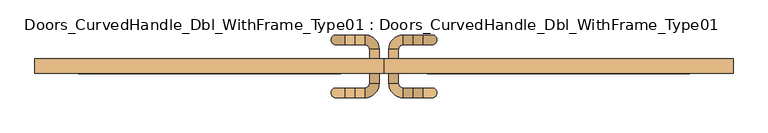
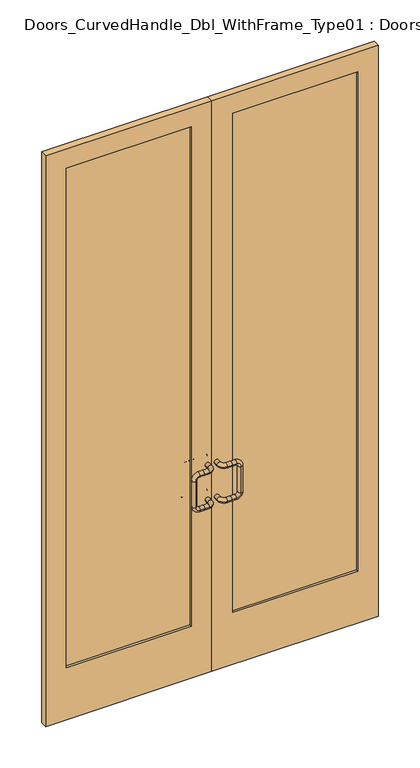
"""IFC4 building model written with IfcOpenShell, lengths in millimetres: door geometry, Doors_CurvedHandle_Dbl_WithFrame_Type01 : Doors_CurvedHandle_Dbl_WithFrame_Type01."""

from ifc_helpers import new_model, si_unit, point, frame, origin, place, context, project, spatial, polyline, circle_curve, ellipse_curve, trimmed, outline, extrude, source, transform, mapped, element, save
from ifc_brep_helpers import plane_surface, cylinder_surface, revolved_surface, advanced_brep


def doors_curvedhandle_dbl_withframe_type01_doors_curvedhandle_a765581c(model_context):
    return source(origin(), model_context, "Body", "SolidModel", [
        advanced_brep(
        [(-38.1, 19.05, 1219.2), (-12.7, 19.05, 1219.2), (-38.1, -6.35, 1219.2), (-12.7, -6.35, 1219.2), (-50.8, -44.45, 1219.2), (-50.8, -19.05, 1219.2), (-76.2, -19.05, 1219.2), (-76.2, -44.45, 1219.2), (-101.6, -19.05, 1219.2), (-101.6, -44.45, 1219.2), (-127.0, -19.05, 1193.8), (-127.0, -44.45, 1193.8), (-127.0, -19.05, 1041.4), (-127.0, -44.45, 1041.4), (-101.6, -19.05, 1016.0), (-101.6, -44.45, 1016.0), (-76.2, -19.05, 1016.0), (-76.2, -44.45, 1016.0), (-38.1, 19.05, 1016.0), (-12.7, 19.05, 1016.0), (-38.1, -6.35, 1016.0), (-12.7, -6.35, 1016.0), (-50.8, -44.45, 1016.0), (-50.8, -19.05, 1016.0)],
        [
            (0, 1, circle_curve(frame((-25.4, 19.05, 1219.2), z_axis=(0.0, 1.0, 0.0), x_axis=(1.0, 0.0, 0.0)), 12.7)),
            (1, 0, circle_curve(frame((-25.4, 19.05, 1219.2), z_axis=(0.0, 1.0, 0.0), x_axis=(1.0, 0.0, 0.0)), 12.7)),
            (0, 2),
            (2, 3, circle_curve(frame((-25.4, -6.35, 1219.2), z_axis=(0.0, 1.0, 0.0), x_axis=(1.0, 0.0, 0.0)), 12.7)),
            (3, 1),
            (3, 2, circle_curve(frame((-25.4, -6.35, 1219.2), z_axis=(0.0, 1.0, 0.0), x_axis=(1.0, 0.0, 0.0)), 12.7)),
            (4, 5, circle_curve(frame((-50.8, -31.75, 1219.2), z_axis=(-1.0, 0.0, 0.0), x_axis=(0.0, -1.0, 0.0)), 12.7)),
            (5, 6),
            (6, 7, circle_curve(frame((-76.2, -31.75, 1219.2), z_axis=(1.0, 0.0, 0.0), x_axis=(0.0, -1.0, 0.0)), 12.7)),
            (7, 4),
            (5, 4, circle_curve(frame((-50.8, -31.75, 1219.2), z_axis=(-1.0, 0.0, 0.0), x_axis=(0.0, -1.0, 0.0)), 12.7)),
            (7, 6, circle_curve(frame((-76.2, -31.75, 1219.2), z_axis=(1.0, 0.0, 0.0), x_axis=(0.0, -1.0, 0.0)), 12.7)),
            (2, 5, circle_curve(frame((-50.8, -6.35, 1219.2), z_axis=(0.0, 0.0, -1.0), x_axis=(1.0, 0.0, 0.0)), 12.7)),
            (4, 3, circle_curve(frame((-50.8, -6.35, 1219.2), z_axis=(0.0, 0.0, 1.0), x_axis=(1.0, 0.0, 0.0)), 38.1)),
            (6, 8),
            (8, 9, circle_curve(frame((-101.6, -31.75, 1219.2), z_axis=(1.0, 0.0, 0.0), x_axis=(0.0, -1.0, 0.0)), 12.7)),
            (9, 7),
            (9, 8, circle_curve(frame((-101.6, -31.75, 1219.2), z_axis=(1.0, 0.0, 0.0), x_axis=(0.0, -1.0, 0.0)), 12.7)),
            (8, 10, circle_curve(frame((-101.6, -19.05, 1193.8), z_axis=(0.0, -1.0, 0.0), x_axis=(0.0, 0.0, 1.0)), 25.4)),
            (10, 11, circle_curve(frame((-127.0, -31.75, 1193.8), z_axis=(0.0, 0.0, 1.0), x_axis=(0.0, -1.0, 0.0)), 12.7)),
            (11, 9, circle_curve(frame((-101.6, -44.45, 1193.8), z_axis=(0.0, 1.0, 0.0), x_axis=(0.0, 0.0, 1.0)), 25.4)),
            (11, 10, circle_curve(frame((-127.0, -31.75, 1193.8), z_axis=(0.0, 0.0, 1.0), x_axis=(0.0, -1.0, 0.0)), 12.7)),
            (10, 12),
            (12, 13, circle_curve(frame((-127.0, -31.75, 1041.4), z_axis=(0.0, 0.0, 1.0), x_axis=(0.0, -1.0, 0.0)), 12.7)),
            (13, 11),
            (13, 12, circle_curve(frame((-127.0, -31.75, 1041.4), z_axis=(0.0, 0.0, 1.0), x_axis=(0.0, -1.0, 0.0)), 12.7)),
            (12, 14, circle_curve(frame((-101.6, -19.05, 1041.4), z_axis=(0.0, -1.0, 0.0), x_axis=(-1.0, 0.0, 0.0)), 25.4)),
            (14, 15, circle_curve(frame((-101.6, -31.75, 1016.0), z_axis=(-1.0, 0.0, 0.0), x_axis=(0.0, -1.0, 0.0)), 12.7)),
            (15, 13, circle_curve(frame((-101.6, -44.45, 1041.4), z_axis=(0.0, 1.0, 0.0), x_axis=(-1.0, 0.0, 0.0)), 25.4)),
            (15, 14, circle_curve(frame((-101.6, -31.75, 1016.0), z_axis=(-1.0, 0.0, 0.0), x_axis=(0.0, -1.0, 0.0)), 12.7)),
            (14, 16),
            (16, 17, circle_curve(frame((-76.2, -31.75, 1016.0), z_axis=(-1.0, 0.0, 0.0), x_axis=(0.0, -1.0, 0.0)), 12.7)),
            (17, 15),
            (17, 16, circle_curve(frame((-76.2, -31.75, 1016.0), z_axis=(-1.0, 0.0, 0.0), x_axis=(0.0, -1.0, 0.0)), 12.7)),
            (18, 19, circle_curve(frame((-25.4, 19.05, 1016.0), z_axis=(0.0, 1.0, 0.0), x_axis=(1.0, 0.0, 0.0)), 12.7)),
            (19, 18, circle_curve(frame((-25.4, 19.05, 1016.0), z_axis=(0.0, 1.0, 0.0), x_axis=(1.0, 0.0, 0.0)), 12.7)),
            (18, 20),
            (20, 21, circle_curve(frame((-25.4, -6.35, 1016.0), z_axis=(0.0, 1.0, 0.0), x_axis=(1.0, 0.0, 0.0)), 12.7)),
            (21, 19),
            (21, 20, circle_curve(frame((-25.4, -6.35, 1016.0), z_axis=(0.0, 1.0, 0.0), x_axis=(1.0, 0.0, 0.0)), 12.7)),
            (22, 23, circle_curve(frame((-50.8, -31.75, 1016.0), z_axis=(-1.0, 0.0, 0.0), x_axis=(0.0, -1.0, 0.0)), 12.7)),
            (23, 16),
            (17, 22),
            (23, 22, circle_curve(frame((-50.8, -31.75, 1016.0), z_axis=(-1.0, 0.0, 0.0), x_axis=(0.0, -1.0, 0.0)), 12.7)),
            (20, 23, circle_curve(frame((-50.8, -6.35, 1016.0), z_axis=(0.0, 0.0, -1.0), x_axis=(1.0, 0.0, 0.0)), 12.7)),
            (22, 21, circle_curve(frame((-50.8, -6.35, 1016.0), z_axis=(0.0, 0.0, 1.0), x_axis=(1.0, 0.0, 0.0)), 38.1)),
        ],
        [
            plane_surface(frame((-25.4, 19.05, 1276.2853236), z_axis=(0.0, 1.0, 0.0), x_axis=(0.0, 0.0, 1.0))),
            cylinder_surface(frame((-25.4, 19.05, 1219.2), z_axis=(0.0, 1.0, 0.0), x_axis=(1.0, 0.0, 0.0)), 12.7),
            cylinder_surface(frame((-50.8, -31.75, 1219.2), z_axis=(1.0, 0.0, 0.0), x_axis=(0.0, -1.0, 0.0)), 12.7),
            revolved_surface(trimmed(ellipse_curve(frame((-25.4, -6.35, 1219.2), z_axis=(0.0, 1.0, 0.0), x_axis=(1.0, 0.0, 0.0)), 12.7, 12.7), [point((-38.1, -6.35, 1219.2))], [point((-12.7, -6.35, 1219.2))], True, "CARTESIAN"), (-50.8, -6.35, 1276.2853236), (0.0, 0.0, -1.0)),
            revolved_surface(trimmed(ellipse_curve(frame((-25.4, -6.35, 1219.2), z_axis=(0.0, 1.0, 0.0), x_axis=(1.0, 0.0, 0.0)), 12.7, 12.7), [point((-12.7, -6.35, 1219.2))], [point((-38.1, -6.35, 1219.2))], True, "CARTESIAN"), (-50.8, -6.35, 1276.2853236), (0.0, 0.0, -1.0)),
            cylinder_surface(frame((-76.2, -31.75, 1219.2), z_axis=(1.0, 0.0, 0.0), x_axis=(0.0, -1.0, 0.0)), 12.7),
            revolved_surface(trimmed(ellipse_curve(frame((-101.6, -31.75, 1219.2), z_axis=(1.0, 0.0, 0.0), x_axis=(0.0, -1.0, 0.0)), 12.7, 12.7), [point((-101.6, -19.05, 1219.2))], [point((-101.6, -44.45, 1219.2))], True, "CARTESIAN"), (-101.6, -31.75, 1193.8), (0.0, -1.0, 0.0)),
            revolved_surface(trimmed(ellipse_curve(frame((-101.6, -31.75, 1219.2), z_axis=(1.0, 0.0, 0.0), x_axis=(0.0, -1.0, 0.0)), 12.7, 12.7), [point((-101.6, -44.45, 1219.2))], [point((-101.6, -19.05, 1219.2))], True, "CARTESIAN"), (-101.6, -31.75, 1193.8), (0.0, -1.0, 0.0)),
            cylinder_surface(frame((-127.0, -31.75, 1193.8), z_axis=(0.0, 0.0, 1.0), x_axis=(0.0, -1.0, 0.0)), 12.7),
            revolved_surface(trimmed(ellipse_curve(frame((-127.0, -31.75, 1041.4), z_axis=(0.0, 0.0, 1.0), x_axis=(0.0, -1.0, 0.0)), 12.7, 12.7), [point((-127.0, -19.05, 1041.4))], [point((-127.0, -44.45, 1041.4))], True, "CARTESIAN"), (-101.6, -31.75, 1041.4), (0.0, -1.0, 0.0)),
            revolved_surface(trimmed(ellipse_curve(frame((-127.0, -31.75, 1041.4), z_axis=(0.0, 0.0, 1.0), x_axis=(0.0, -1.0, 0.0)), 12.7, 12.7), [point((-127.0, -44.45, 1041.4))], [point((-127.0, -19.05, 1041.4))], True, "CARTESIAN"), (-101.6, -31.75, 1041.4), (0.0, -1.0, 0.0)),
            cylinder_surface(frame((-101.6, -31.75, 1016.0), z_axis=(-1.0, 0.0, 0.0), x_axis=(0.0, -1.0, 0.0)), 12.7),
            plane_surface(frame((-25.4, 19.05, 1016.0), z_axis=(0.0, 1.0, 0.0), x_axis=(0.0, 0.0, 1.0))),
            cylinder_surface(frame((-25.4, 19.05, 1016.0), z_axis=(0.0, 1.0, 0.0), x_axis=(1.0, 0.0, 0.0)), 12.7),
            cylinder_surface(frame((-50.8, -31.75, 1016.0), z_axis=(1.0, 0.0, 0.0), x_axis=(0.0, -1.0, 0.0)), 12.7),
            revolved_surface(trimmed(ellipse_curve(frame((-25.4, -6.35, 1016.0), z_axis=(0.0, 1.0, 0.0), x_axis=(1.0, 0.0, 0.0)), 12.7, 12.7), [point((-38.1, -6.35, 1016.0))], [point((-12.7, -6.35, 1016.0))], True, "CARTESIAN"), (-50.8, -6.35, 1016.0), (0.0, 0.0, -1.0)),
            revolved_surface(trimmed(ellipse_curve(frame((-25.4, -6.35, 1016.0), z_axis=(0.0, 1.0, 0.0), x_axis=(1.0, 0.0, 0.0)), 12.7, 12.7), [point((-12.7, -6.35, 1016.0))], [point((-38.1, -6.35, 1016.0))], True, "CARTESIAN"), (-50.8, -6.35, 1016.0), (0.0, 0.0, -1.0)),
        ],
        [
            (0, [[1, 2]]),
            (1, [[-1, 3, 4, 5]]),
            (1, [[-2, -5, 6, -3]]),
            (2, [[7, 8, 9, 10]]),
            (2, [[-8, 11, -10, 12]]),
            (3, [[-4, 13, -7, 14]]),
            (4, [[-6, -14, -11, -13]]),
            (5, [[15, 16, 17, -9]]),
            (5, [[-15, -12, -17, 18]]),
            (6, [[-16, 19, 20, 21]]),
            (7, [[-18, -21, 22, -19]]),
            (8, [[-20, 23, 24, 25]]),
            (8, [[-22, -25, 26, -23]]),
            (9, [[-24, 27, 28, 29]]),
            (10, [[-26, -29, 30, -27]]),
            (11, [[-28, 31, 32, 33]]),
            (11, [[-30, -33, 34, -31]]),
            (12, [[35, 36]]),
            (13, [[-35, 37, 38, 39]]),
            (13, [[-36, -39, 40, -37]]),
            (14, [[41, 42, -34, 43]]),
            (14, [[-42, 44, -43, -32]]),
            (15, [[-38, 45, -41, 46]]),
            (16, [[-40, -46, -44, -45]]),
        ],
    ),
        advanced_brep(
        [(38.1, 19.05, 1219.2), (12.7, 19.05, 1219.2), (12.7, -6.35, 1219.2), (38.1, -6.35, 1219.2), (50.8, -44.45, 1219.2), (76.2, -44.45, 1219.2), (76.2, -19.05, 1219.2), (50.8, -19.05, 1219.2), (101.6, -44.45, 1219.2), (101.6, -19.05, 1219.2), (127.0, -44.45, 1193.8), (127.0, -19.05, 1193.8), (127.0, -44.45, 1041.4), (127.0, -19.05, 1041.4), (101.6, -44.45, 1016.0), (101.6, -19.05, 1016.0), (76.2, -44.45, 1016.0), (76.2, -19.05, 1016.0), (38.1, 19.05, 1016.0), (12.7, 19.05, 1016.0), (12.7, -6.35, 1016.0), (38.1, -6.35, 1016.0), (50.8, -44.45, 1016.0), (50.8, -19.05, 1016.0)],
        [
            (0, 1, circle_curve(frame((25.4, 19.05, 1219.2), z_axis=(0.0, 1.0, 0.0), x_axis=(-1.0, 0.0, 0.0)), 12.7)),
            (1, 0, circle_curve(frame((25.4, 19.05, 1219.2), z_axis=(0.0, 1.0, 0.0), x_axis=(-1.0, 0.0, 0.0)), 12.7)),
            (1, 2),
            (2, 3, circle_curve(frame((25.4, -6.35, 1219.2), z_axis=(0.0, 1.0, 0.0), x_axis=(-1.0, 0.0, 0.0)), 12.7)),
            (3, 0),
            (3, 2, circle_curve(frame((25.4, -6.35, 1219.2), z_axis=(0.0, 1.0, 0.0), x_axis=(-1.0, 0.0, 0.0)), 12.7)),
            (4, 5),
            (5, 6, circle_curve(frame((76.2, -31.75, 1219.2), z_axis=(-1.0, 0.0, 0.0), x_axis=(0.0, -1.0, 0.0)), 12.7)),
            (6, 7),
            (7, 4, circle_curve(frame((50.8, -31.75, 1219.2), z_axis=(1.0, 0.0, 0.0), x_axis=(0.0, -1.0, 0.0)), 12.7)),
            (6, 5, circle_curve(frame((76.2, -31.75, 1219.2), z_axis=(-1.0, 0.0, 0.0), x_axis=(0.0, -1.0, 0.0)), 12.7)),
            (4, 7, circle_curve(frame((50.8, -31.75, 1219.2), z_axis=(1.0, 0.0, 0.0), x_axis=(0.0, -1.0, 0.0)), 12.7)),
            (2, 4, circle_curve(frame((50.8, -6.35, 1219.2), z_axis=(0.0, 0.0, 1.0), x_axis=(-1.0, 0.0, 0.0)), 38.1)),
            (7, 3, circle_curve(frame((50.8, -6.35, 1219.2), z_axis=(0.0, 0.0, -1.0), x_axis=(-1.0, 0.0, 0.0)), 12.7)),
            (5, 8),
            (8, 9, circle_curve(frame((101.6, -31.75, 1219.2), z_axis=(-1.0, 0.0, 0.0), x_axis=(0.0, -1.0, 0.0)), 12.7)),
            (9, 6),
            (9, 8, circle_curve(frame((101.6, -31.75, 1219.2), z_axis=(-1.0, 0.0, 0.0), x_axis=(0.0, -1.0, 0.0)), 12.7)),
            (8, 10, circle_curve(frame((101.6, -44.45, 1193.8), z_axis=(0.0, 1.0, 0.0), x_axis=(0.0, 0.0, 1.0)), 25.4)),
            (10, 11, circle_curve(frame((127.0, -31.75, 1193.8), z_axis=(0.0, 0.0, 1.0), x_axis=(0.0, -1.0, 0.0)), 12.7)),
            (11, 9, circle_curve(frame((101.6, -19.05, 1193.8), z_axis=(0.0, -1.0, 0.0), x_axis=(0.0, 0.0, 1.0)), 25.4)),
            (11, 10, circle_curve(frame((127.0, -31.75, 1193.8), z_axis=(0.0, 0.0, 1.0), x_axis=(0.0, -1.0, 0.0)), 12.7)),
            (10, 12),
            (12, 13, circle_curve(frame((127.0, -31.75, 1041.4), z_axis=(0.0, 0.0, 1.0), x_axis=(0.0, -1.0, 0.0)), 12.7)),
            (13, 11),
            (13, 12, circle_curve(frame((127.0, -31.75, 1041.4), z_axis=(0.0, 0.0, 1.0), x_axis=(0.0, -1.0, 0.0)), 12.7)),
            (12, 14, circle_curve(frame((101.6, -44.45, 1041.4), z_axis=(0.0, 1.0, 0.0), x_axis=(1.0, 0.0, 0.0)), 25.4)),
            (14, 15, circle_curve(frame((101.6, -31.75, 1016.0), z_axis=(1.0, 0.0, 0.0), x_axis=(0.0, -1.0, 0.0)), 12.7)),
            (15, 13, circle_curve(frame((101.6, -19.05, 1041.4), z_axis=(0.0, -1.0, 0.0), x_axis=(1.0, 0.0, 0.0)), 25.4)),
            (15, 14, circle_curve(frame((101.6, -31.75, 1016.0), z_axis=(1.0, 0.0, 0.0), x_axis=(0.0, -1.0, 0.0)), 12.7)),
            (14, 16),
            (16, 17, circle_curve(frame((76.2, -31.75, 1016.0), z_axis=(1.0, 0.0, 0.0), x_axis=(0.0, -1.0, 0.0)), 12.7)),
            (17, 15),
            (17, 16, circle_curve(frame((76.2, -31.75, 1016.0), z_axis=(1.0, 0.0, 0.0), x_axis=(0.0, -1.0, 0.0)), 12.7)),
            (18, 19, circle_curve(frame((25.4, 19.05, 1016.0), z_axis=(0.0, 1.0, 0.0), x_axis=(-1.0, 0.0, 0.0)), 12.7)),
            (19, 18, circle_curve(frame((25.4, 19.05, 1016.0), z_axis=(0.0, 1.0, 0.0), x_axis=(-1.0, 0.0, 0.0)), 12.7)),
            (19, 20),
            (20, 21, circle_curve(frame((25.4, -6.35, 1016.0), z_axis=(0.0, 1.0, 0.0), x_axis=(-1.0, 0.0, 0.0)), 12.7)),
            (21, 18),
            (21, 20, circle_curve(frame((25.4, -6.35, 1016.0), z_axis=(0.0, 1.0, 0.0), x_axis=(-1.0, 0.0, 0.0)), 12.7)),
            (22, 16),
            (17, 23),
            (23, 22, circle_curve(frame((50.8, -31.75, 1016.0), z_axis=(1.0, 0.0, 0.0), x_axis=(0.0, -1.0, 0.0)), 12.7)),
            (22, 23, circle_curve(frame((50.8, -31.75, 1016.0), z_axis=(1.0, 0.0, 0.0), x_axis=(0.0, -1.0, 0.0)), 12.7)),
            (20, 22, circle_curve(frame((50.8, -6.35, 1016.0), z_axis=(0.0, 0.0, 1.0), x_axis=(-1.0, 0.0, 0.0)), 38.1)),
            (23, 21, circle_curve(frame((50.8, -6.35, 1016.0), z_axis=(0.0, 0.0, -1.0), x_axis=(-1.0, 0.0, 0.0)), 12.7)),
        ],
        [
            plane_surface(frame((25.4, 19.05, 1276.2853236), z_axis=(0.0, 1.0, 0.0), x_axis=(0.0, 0.0, 1.0))),
            cylinder_surface(frame((25.4, 19.05, 1219.2), z_axis=(0.0, 1.0, 0.0), x_axis=(-1.0, 0.0, 0.0)), 12.7),
            cylinder_surface(frame((50.8, -31.75, 1219.2), z_axis=(-1.0, 0.0, 0.0), x_axis=(0.0, -1.0, 0.0)), 12.7),
            revolved_surface(trimmed(ellipse_curve(frame((25.4, -6.35, 1219.2), z_axis=(0.0, -1.0, 0.0), x_axis=(-1.0, 0.0, 0.0)), 12.7, 12.7), [point((38.1, -6.35, 1219.2))], [point((12.7, -6.35, 1219.2))], True, "CARTESIAN"), (50.8, -6.35, 1276.2853236), (0.0, 0.0, -1.0)),
            revolved_surface(trimmed(ellipse_curve(frame((25.4, -6.35, 1219.2), z_axis=(0.0, -1.0, 0.0), x_axis=(-1.0, 0.0, 0.0)), 12.7, 12.7), [point((12.7, -6.35, 1219.2))], [point((38.1, -6.35, 1219.2))], True, "CARTESIAN"), (50.8, -6.35, 1276.2853236), (0.0, 0.0, -1.0)),
            cylinder_surface(frame((76.2, -31.75, 1219.2), z_axis=(-1.0, 0.0, 0.0), x_axis=(0.0, -1.0, 0.0)), 12.7),
            revolved_surface(trimmed(ellipse_curve(frame((101.6, -31.75, 1219.2), z_axis=(1.0, 0.0, 0.0), x_axis=(0.0, -1.0, 0.0)), 12.7, 12.7), [point((101.6, -19.05, 1219.2))], [point((101.6, -44.45, 1219.2))], True, "CARTESIAN"), (101.6, -31.75, 1193.8), (0.0, -1.0, 0.0)),
            revolved_surface(trimmed(ellipse_curve(frame((101.6, -31.75, 1219.2), z_axis=(1.0, 0.0, 0.0), x_axis=(0.0, -1.0, 0.0)), 12.7, 12.7), [point((101.6, -44.45, 1219.2))], [point((101.6, -19.05, 1219.2))], True, "CARTESIAN"), (101.6, -31.75, 1193.8), (0.0, -1.0, 0.0)),
            cylinder_surface(frame((127.0, -31.75, 1193.8), z_axis=(0.0, 0.0, 1.0), x_axis=(0.0, -1.0, 0.0)), 12.7),
            revolved_surface(trimmed(ellipse_curve(frame((127.0, -31.75, 1041.4), z_axis=(0.0, 0.0, -1.0), x_axis=(0.0, -1.0, 0.0)), 12.7, 12.7), [point((127.0, -19.05, 1041.4))], [point((127.0, -44.45, 1041.4))], True, "CARTESIAN"), (101.6, -31.75, 1041.4), (0.0, -1.0, 0.0)),
            revolved_surface(trimmed(ellipse_curve(frame((127.0, -31.75, 1041.4), z_axis=(0.0, 0.0, -1.0), x_axis=(0.0, -1.0, 0.0)), 12.7, 12.7), [point((127.0, -44.45, 1041.4))], [point((127.0, -19.05, 1041.4))], True, "CARTESIAN"), (101.6, -31.75, 1041.4), (0.0, -1.0, 0.0)),
            cylinder_surface(frame((101.6, -31.75, 1016.0), z_axis=(1.0, 0.0, 0.0), x_axis=(0.0, -1.0, 0.0)), 12.7),
            plane_surface(frame((25.4, 19.05, 1016.0), z_axis=(0.0, 1.0, 0.0), x_axis=(0.0, 0.0, 1.0))),
            cylinder_surface(frame((25.4, 19.05, 1016.0), z_axis=(0.0, 1.0, 0.0), x_axis=(-1.0, 0.0, 0.0)), 12.7),
            cylinder_surface(frame((50.8, -31.75, 1016.0), z_axis=(-1.0, 0.0, 0.0), x_axis=(0.0, -1.0, 0.0)), 12.7),
            revolved_surface(trimmed(ellipse_curve(frame((25.4, -6.35, 1016.0), z_axis=(0.0, -1.0, 0.0), x_axis=(-1.0, 0.0, 0.0)), 12.7, 12.7), [point((38.1, -6.35, 1016.0))], [point((12.7, -6.35, 1016.0))], True, "CARTESIAN"), (50.8, -6.35, 1016.0), (0.0, 0.0, -1.0)),
            revolved_surface(trimmed(ellipse_curve(frame((25.4, -6.35, 1016.0), z_axis=(0.0, -1.0, 0.0), x_axis=(-1.0, 0.0, 0.0)), 12.7, 12.7), [point((12.7, -6.35, 1016.0))], [point((38.1, -6.35, 1016.0))], True, "CARTESIAN"), (50.8, -6.35, 1016.0), (0.0, 0.0, -1.0)),
        ],
        [
            (0, [[1, 2]]),
            (1, [[3, 4, 5, -2]]),
            (1, [[-5, 6, -3, -1]]),
            (2, [[7, 8, 9, 10]]),
            (2, [[11, -7, 12, -9]]),
            (3, [[13, -10, 14, -4]]),
            (4, [[-14, -12, -13, -6]]),
            (5, [[-8, 15, 16, 17]]),
            (5, [[18, -15, -11, -17]]),
            (6, [[19, 20, 21, -16]]),
            (7, [[-21, 22, -19, -18]]),
            (8, [[23, 24, 25, -20]]),
            (8, [[-25, 26, -23, -22]]),
            (9, [[27, 28, 29, -24]]),
            (10, [[-29, 30, -27, -26]]),
            (11, [[31, 32, 33, -28]]),
            (11, [[-33, 34, -31, -30]]),
            (12, [[35, 36]]),
            (13, [[37, 38, 39, -36]]),
            (13, [[-39, 40, -37, -35]]),
            (14, [[41, -34, 42, 43]]),
            (14, [[-32, -41, 44, -42]]),
            (15, [[45, -43, 46, -38]]),
            (16, [[-46, -44, -45, -40]]),
        ],
    ),
        advanced_brep(
        [(-38.1, 57.15, 1219.2), (-12.7, 57.15, 1219.2), (-12.7, 82.55, 1219.2), (-38.1, 82.55, 1219.2), (-50.8, 120.65, 1219.2), (-76.2, 120.65, 1219.2), (-76.2, 95.25, 1219.2), (-50.8, 95.25, 1219.2), (-101.6, 120.65, 1219.2), (-101.6, 95.25, 1219.2), (-127.0, 120.65, 1193.8), (-127.0, 95.25, 1193.8), (-127.0, 120.65, 1041.4), (-127.0, 95.25, 1041.4), (-101.6, 120.65, 1016.0), (-101.6, 95.25, 1016.0), (-76.2, 120.65, 1016.0), (-76.2, 95.25, 1016.0), (-38.1, 57.15, 1016.0), (-12.7, 57.15, 1016.0), (-12.7, 82.55, 1016.0), (-38.1, 82.55, 1016.0), (-50.8, 120.65, 1016.0), (-50.8, 95.25, 1016.0)],
        [
            (0, 1, circle_curve(frame((-25.4, 57.15, 1219.2), z_axis=(0.0, -1.0, 0.0), x_axis=(1.0, 0.0, 0.0)), 12.7)),
            (1, 0, circle_curve(frame((-25.4, 57.15, 1219.2), z_axis=(0.0, -1.0, 0.0), x_axis=(1.0, 0.0, 0.0)), 12.7)),
            (1, 2),
            (2, 3, circle_curve(frame((-25.4, 82.55, 1219.2), z_axis=(0.0, -1.0, 0.0), x_axis=(1.0, 0.0, 0.0)), 12.7)),
            (3, 0),
            (3, 2, circle_curve(frame((-25.4, 82.55, 1219.2), z_axis=(0.0, -1.0, 0.0), x_axis=(1.0, 0.0, 0.0)), 12.7)),
            (4, 5),
            (5, 6, circle_curve(frame((-76.2, 107.95, 1219.2), z_axis=(1.0, 0.0, 0.0), x_axis=(0.0, 1.0, 0.0)), 12.7)),
            (6, 7),
            (7, 4, circle_curve(frame((-50.8, 107.95, 1219.2), z_axis=(-1.0, 0.0, 0.0), x_axis=(0.0, 1.0, 0.0)), 12.7)),
            (6, 5, circle_curve(frame((-76.2, 107.95, 1219.2), z_axis=(1.0, 0.0, 0.0), x_axis=(0.0, 1.0, 0.0)), 12.7)),
            (4, 7, circle_curve(frame((-50.8, 107.95, 1219.2), z_axis=(-1.0, 0.0, 0.0), x_axis=(0.0, 1.0, 0.0)), 12.7)),
            (2, 4, circle_curve(frame((-50.8, 82.55, 1219.2), z_axis=(0.0, 0.0, 1.0), x_axis=(1.0, 0.0, 0.0)), 38.1)),
            (7, 3, circle_curve(frame((-50.8, 82.55, 1219.2), z_axis=(0.0, 0.0, -1.0), x_axis=(1.0, 0.0, 0.0)), 12.7)),
            (5, 8),
            (8, 9, circle_curve(frame((-101.6, 107.95, 1219.2), z_axis=(1.0, 0.0, 0.0), x_axis=(0.0, 1.0, 0.0)), 12.7)),
            (9, 6),
            (9, 8, circle_curve(frame((-101.6, 107.95, 1219.2), z_axis=(1.0, 0.0, 0.0), x_axis=(0.0, 1.0, 0.0)), 12.7)),
            (8, 10, circle_curve(frame((-101.6, 120.65, 1193.8), z_axis=(0.0, -1.0, 0.0), x_axis=(0.0, 0.0, 1.0)), 25.4)),
            (10, 11, circle_curve(frame((-127.0, 107.95, 1193.8), z_axis=(0.0, 0.0, 1.0), x_axis=(0.0, 1.0, 0.0)), 12.7)),
            (11, 9, circle_curve(frame((-101.6, 95.25, 1193.8), z_axis=(0.0, 1.0, 0.0), x_axis=(0.0, 0.0, 1.0)), 25.4)),
            (11, 10, circle_curve(frame((-127.0, 107.95, 1193.8), z_axis=(0.0, 0.0, 1.0), x_axis=(0.0, 1.0, 0.0)), 12.7)),
            (10, 12),
            (12, 13, circle_curve(frame((-127.0, 107.95, 1041.4), z_axis=(0.0, 0.0, 1.0), x_axis=(0.0, 1.0, 0.0)), 12.7)),
            (13, 11),
            (13, 12, circle_curve(frame((-127.0, 107.95, 1041.4), z_axis=(0.0, 0.0, 1.0), x_axis=(0.0, 1.0, 0.0)), 12.7)),
            (12, 14, circle_curve(frame((-101.6, 120.65, 1041.4), z_axis=(0.0, -1.0, 0.0), x_axis=(-1.0, 0.0, 0.0)), 25.4)),
            (14, 15, circle_curve(frame((-101.6, 107.95, 1016.0), z_axis=(-1.0, 0.0, 0.0), x_axis=(0.0, 1.0, 0.0)), 12.7)),
            (15, 13, circle_curve(frame((-101.6, 95.25, 1041.4), z_axis=(0.0, 1.0, 0.0), x_axis=(-1.0, 0.0, 0.0)), 25.4)),
            (15, 14, circle_curve(frame((-101.6, 107.95, 1016.0), z_axis=(-1.0, 0.0, 0.0), x_axis=(0.0, 1.0, 0.0)), 12.7)),
            (14, 16),
            (16, 17, circle_curve(frame((-76.2, 107.95, 1016.0), z_axis=(-1.0, 0.0, 0.0), x_axis=(0.0, 1.0, 0.0)), 12.7)),
            (17, 15),
            (17, 16, circle_curve(frame((-76.2, 107.95, 1016.0), z_axis=(-1.0, 0.0, 0.0), x_axis=(0.0, 1.0, 0.0)), 12.7)),
            (18, 19, circle_curve(frame((-25.4, 57.15, 1016.0), z_axis=(0.0, -1.0, 0.0), x_axis=(1.0, 0.0, 0.0)), 12.7)),
            (19, 18, circle_curve(frame((-25.4, 57.15, 1016.0), z_axis=(0.0, -1.0, 0.0), x_axis=(1.0, 0.0, 0.0)), 12.7)),
            (19, 20),
            (20, 21, circle_curve(frame((-25.4, 82.55, 1016.0), z_axis=(0.0, -1.0, 0.0), x_axis=(1.0, 0.0, 0.0)), 12.7)),
            (21, 18),
            (21, 20, circle_curve(frame((-25.4, 82.55, 1016.0), z_axis=(0.0, -1.0, 0.0), x_axis=(1.0, 0.0, 0.0)), 12.7)),
            (22, 16),
            (17, 23),
            (23, 22, circle_curve(frame((-50.8, 107.95, 1016.0), z_axis=(-1.0, 0.0, 0.0), x_axis=(0.0, 1.0, 0.0)), 12.7)),
            (22, 23, circle_curve(frame((-50.8, 107.95, 1016.0), z_axis=(-1.0, 0.0, 0.0), x_axis=(0.0, 1.0, 0.0)), 12.7)),
            (20, 22, circle_curve(frame((-50.8, 82.55, 1016.0), z_axis=(0.0, 0.0, 1.0), x_axis=(1.0, 0.0, 0.0)), 38.1)),
            (23, 21, circle_curve(frame((-50.8, 82.55, 1016.0), z_axis=(0.0, 0.0, -1.0), x_axis=(1.0, 0.0, 0.0)), 12.7)),
        ],
        [
            plane_surface(frame((-25.4, 57.15, 1276.2853236), z_axis=(0.0, -1.0, 0.0), x_axis=(0.0, 0.0, 1.0))),
            cylinder_surface(frame((-25.4, 57.15, 1219.2), z_axis=(0.0, -1.0, 0.0), x_axis=(1.0, 0.0, 0.0)), 12.7),
            cylinder_surface(frame((-50.8, 107.95, 1219.2), z_axis=(1.0, 0.0, 0.0), x_axis=(0.0, 1.0, 0.0)), 12.7),
            revolved_surface(trimmed(ellipse_curve(frame((-25.4, 82.55, 1219.2), z_axis=(0.0, 1.0, 0.0), x_axis=(1.0, 0.0, 0.0)), 12.7, 12.7), [point((-38.1, 82.55, 1219.2))], [point((-12.7, 82.55, 1219.2))], True, "CARTESIAN"), (-50.8, 82.55, 1276.2853236), (0.0, 0.0, -1.0)),
            revolved_surface(trimmed(ellipse_curve(frame((-25.4, 82.55, 1219.2), z_axis=(0.0, 1.0, 0.0), x_axis=(1.0, 0.0, 0.0)), 12.7, 12.7), [point((-12.7, 82.55, 1219.2))], [point((-38.1, 82.55, 1219.2))], True, "CARTESIAN"), (-50.8, 82.55, 1276.2853236), (0.0, 0.0, -1.0)),
            cylinder_surface(frame((-76.2, 107.95, 1219.2), z_axis=(1.0, 0.0, 0.0), x_axis=(0.0, 1.0, 0.0)), 12.7),
            revolved_surface(trimmed(ellipse_curve(frame((-101.6, 107.95, 1219.2), z_axis=(-1.0, 0.0, 0.0), x_axis=(0.0, 1.0, 0.0)), 12.7, 12.7), [point((-101.6, 95.25, 1219.2))], [point((-101.6, 120.65, 1219.2))], True, "CARTESIAN"), (-101.6, 107.95, 1193.8), (0.0, 1.0, 0.0)),
            revolved_surface(trimmed(ellipse_curve(frame((-101.6, 107.95, 1219.2), z_axis=(-1.0, 0.0, 0.0), x_axis=(0.0, 1.0, 0.0)), 12.7, 12.7), [point((-101.6, 120.65, 1219.2))], [point((-101.6, 95.25, 1219.2))], True, "CARTESIAN"), (-101.6, 107.95, 1193.8), (0.0, 1.0, 0.0)),
            cylinder_surface(frame((-127.0, 107.95, 1193.8), z_axis=(0.0, 0.0, 1.0), x_axis=(0.0, 1.0, 0.0)), 12.7),
            revolved_surface(trimmed(ellipse_curve(frame((-127.0, 107.95, 1041.4), z_axis=(0.0, 0.0, -1.0), x_axis=(0.0, 1.0, 0.0)), 12.7, 12.7), [point((-127.0, 95.25, 1041.4))], [point((-127.0, 120.65, 1041.4))], True, "CARTESIAN"), (-101.6, 107.95, 1041.4), (0.0, 1.0, 0.0)),
            revolved_surface(trimmed(ellipse_curve(frame((-127.0, 107.95, 1041.4), z_axis=(0.0, 0.0, -1.0), x_axis=(0.0, 1.0, 0.0)), 12.7, 12.7), [point((-127.0, 120.65, 1041.4))], [point((-127.0, 95.25, 1041.4))], True, "CARTESIAN"), (-101.6, 107.95, 1041.4), (0.0, 1.0, 0.0)),
            cylinder_surface(frame((-101.6, 107.95, 1016.0), z_axis=(-1.0, 0.0, 0.0), x_axis=(0.0, 1.0, 0.0)), 12.7),
            plane_surface(frame((-25.4, 57.15, 1016.0), z_axis=(0.0, -1.0, 0.0), x_axis=(0.0, 0.0, 1.0))),
            cylinder_surface(frame((-25.4, 57.15, 1016.0), z_axis=(0.0, -1.0, 0.0), x_axis=(1.0, 0.0, 0.0)), 12.7),
            cylinder_surface(frame((-50.8, 107.95, 1016.0), z_axis=(1.0, 0.0, 0.0), x_axis=(0.0, 1.0, 0.0)), 12.7),
            revolved_surface(trimmed(ellipse_curve(frame((-25.4, 82.55, 1016.0), z_axis=(0.0, 1.0, 0.0), x_axis=(1.0, 0.0, 0.0)), 12.7, 12.7), [point((-38.1, 82.55, 1016.0))], [point((-12.7, 82.55, 1016.0))], True, "CARTESIAN"), (-50.8, 82.55, 1016.0), (0.0, 0.0, -1.0)),
            revolved_surface(trimmed(ellipse_curve(frame((-25.4, 82.55, 1016.0), z_axis=(0.0, 1.0, 0.0), x_axis=(1.0, 0.0, 0.0)), 12.7, 12.7), [point((-12.7, 82.55, 1016.0))], [point((-38.1, 82.55, 1016.0))], True, "CARTESIAN"), (-50.8, 82.55, 1016.0), (0.0, 0.0, -1.0)),
        ],
        [
            (0, [[1, 2]]),
            (1, [[3, 4, 5, -2]]),
            (1, [[-5, 6, -3, -1]]),
            (2, [[7, 8, 9, 10]]),
            (2, [[11, -7, 12, -9]]),
            (3, [[13, -10, 14, -4]]),
            (4, [[-14, -12, -13, -6]]),
            (5, [[-8, 15, 16, 17]]),
            (5, [[18, -15, -11, -17]]),
            (6, [[19, 20, 21, -16]]),
            (7, [[-21, 22, -19, -18]]),
            (8, [[23, 24, 25, -20]]),
            (8, [[-25, 26, -23, -22]]),
            (9, [[27, 28, 29, -24]]),
            (10, [[-29, 30, -27, -26]]),
            (11, [[31, 32, 33, -28]]),
            (11, [[-33, 34, -31, -30]]),
            (12, [[35, 36]]),
            (13, [[37, 38, 39, -36]]),
            (13, [[-39, 40, -37, -35]]),
            (14, [[41, -34, 42, 43]]),
            (14, [[-32, -41, 44, -42]]),
            (15, [[45, -43, 46, -38]]),
            (16, [[-46, -44, -45, -40]]),
        ],
    ),
        advanced_brep(
        [(38.1, 57.15, 1219.2), (12.7, 57.15, 1219.2), (38.1, 82.55, 1219.2), (12.7, 82.55, 1219.2), (50.8, 120.65, 1219.2), (50.8, 95.25, 1219.2), (76.2, 95.25, 1219.2), (76.2, 120.65, 1219.2), (101.6, 95.25, 1219.2), (101.6, 120.65, 1219.2), (127.0, 95.25, 1193.8), (127.0, 120.65, 1193.8), (127.0, 95.25, 1041.4), (127.0, 120.65, 1041.4), (101.6, 95.25, 1016.0), (101.6, 120.65, 1016.0), (76.2, 95.25, 1016.0), (76.2, 120.65, 1016.0), (38.1, 57.15, 1016.0), (12.7, 57.15, 1016.0), (38.1, 82.55, 1016.0), (12.7, 82.55, 1016.0), (50.8, 120.65, 1016.0), (50.8, 95.25, 1016.0)],
        [
            (0, 1, circle_curve(frame((25.4, 57.15, 1219.2), z_axis=(0.0, -1.0, 0.0), x_axis=(-1.0, 0.0, 0.0)), 12.7)),
            (1, 0, circle_curve(frame((25.4, 57.15, 1219.2), z_axis=(0.0, -1.0, 0.0), x_axis=(-1.0, 0.0, 0.0)), 12.7)),
            (0, 2),
            (2, 3, circle_curve(frame((25.4, 82.55, 1219.2), z_axis=(0.0, -1.0, 0.0), x_axis=(-1.0, 0.0, 0.0)), 12.7)),
            (3, 1),
            (3, 2, circle_curve(frame((25.4, 82.55, 1219.2), z_axis=(0.0, -1.0, 0.0), x_axis=(-1.0, 0.0, 0.0)), 12.7)),
            (4, 5, circle_curve(frame((50.8, 107.95, 1219.2), z_axis=(1.0, 0.0, 0.0), x_axis=(0.0, 1.0, 0.0)), 12.7)),
            (5, 6),
            (6, 7, circle_curve(frame((76.2, 107.95, 1219.2), z_axis=(-1.0, 0.0, 0.0), x_axis=(0.0, 1.0, 0.0)), 12.7)),
            (7, 4),
            (5, 4, circle_curve(frame((50.8, 107.95, 1219.2), z_axis=(1.0, 0.0, 0.0), x_axis=(0.0, 1.0, 0.0)), 12.7)),
            (7, 6, circle_curve(frame((76.2, 107.95, 1219.2), z_axis=(-1.0, 0.0, 0.0), x_axis=(0.0, 1.0, 0.0)), 12.7)),
            (2, 5, circle_curve(frame((50.8, 82.55, 1219.2), z_axis=(0.0, 0.0, -1.0), x_axis=(-1.0, 0.0, 0.0)), 12.7)),
            (4, 3, circle_curve(frame((50.8, 82.55, 1219.2), z_axis=(0.0, 0.0, 1.0), x_axis=(-1.0, 0.0, 0.0)), 38.1)),
            (6, 8),
            (8, 9, circle_curve(frame((101.6, 107.95, 1219.2), z_axis=(-1.0, 0.0, 0.0), x_axis=(0.0, 1.0, 0.0)), 12.7)),
            (9, 7),
            (9, 8, circle_curve(frame((101.6, 107.95, 1219.2), z_axis=(-1.0, 0.0, 0.0), x_axis=(0.0, 1.0, 0.0)), 12.7)),
            (8, 10, circle_curve(frame((101.6, 95.25, 1193.8), z_axis=(0.0, 1.0, 0.0), x_axis=(0.0, 0.0, 1.0)), 25.4)),
            (10, 11, circle_curve(frame((127.0, 107.95, 1193.8), z_axis=(0.0, 0.0, 1.0), x_axis=(0.0, 1.0, 0.0)), 12.7)),
            (11, 9, circle_curve(frame((101.6, 120.65, 1193.8), z_axis=(0.0, -1.0, 0.0), x_axis=(0.0, 0.0, 1.0)), 25.4)),
            (11, 10, circle_curve(frame((127.0, 107.95, 1193.8), z_axis=(0.0, 0.0, 1.0), x_axis=(0.0, 1.0, 0.0)), 12.7)),
            (10, 12),
            (12, 13, circle_curve(frame((127.0, 107.95, 1041.4), z_axis=(0.0, 0.0, 1.0), x_axis=(0.0, 1.0, 0.0)), 12.7)),
            (13, 11),
            (13, 12, circle_curve(frame((127.0, 107.95, 1041.4), z_axis=(0.0, 0.0, 1.0), x_axis=(0.0, 1.0, 0.0)), 12.7)),
            (12, 14, circle_curve(frame((101.6, 95.25, 1041.4), z_axis=(0.0, 1.0, 0.0), x_axis=(1.0, 0.0, 0.0)), 25.4)),
            (14, 15, circle_curve(frame((101.6, 107.95, 1016.0), z_axis=(1.0, 0.0, 0.0), x_axis=(0.0, 1.0, 0.0)), 12.7)),
            (15, 13, circle_curve(frame((101.6, 120.65, 1041.4), z_axis=(0.0, -1.0, 0.0), x_axis=(1.0, 0.0, 0.0)), 25.4)),
            (15, 14, circle_curve(frame((101.6, 107.95, 1016.0), z_axis=(1.0, 0.0, 0.0), x_axis=(0.0, 1.0, 0.0)), 12.7)),
            (14, 16),
            (16, 17, circle_curve(frame((76.2, 107.95, 1016.0), z_axis=(1.0, 0.0, 0.0), x_axis=(0.0, 1.0, 0.0)), 12.7)),
            (17, 15),
            (17, 16, circle_curve(frame((76.2, 107.95, 1016.0), z_axis=(1.0, 0.0, 0.0), x_axis=(0.0, 1.0, 0.0)), 12.7)),
            (18, 19, circle_curve(frame((25.4, 57.15, 1016.0), z_axis=(0.0, -1.0, 0.0), x_axis=(-1.0, 0.0, 0.0)), 12.7)),
            (19, 18, circle_curve(frame((25.4, 57.15, 1016.0), z_axis=(0.0, -1.0, 0.0), x_axis=(-1.0, 0.0, 0.0)), 12.7)),
            (18, 20),
            (20, 21, circle_curve(frame((25.4, 82.55, 1016.0), z_axis=(0.0, -1.0, 0.0), x_axis=(-1.0, 0.0, 0.0)), 12.7)),
            (21, 19),
            (21, 20, circle_curve(frame((25.4, 82.55, 1016.0), z_axis=(0.0, -1.0, 0.0), x_axis=(-1.0, 0.0, 0.0)), 12.7)),
            (22, 23, circle_curve(frame((50.8, 107.95, 1016.0), z_axis=(1.0, 0.0, 0.0), x_axis=(0.0, 1.0, 0.0)), 12.7)),
            (23, 16),
            (17, 22),
            (23, 22, circle_curve(frame((50.8, 107.95, 1016.0), z_axis=(1.0, 0.0, 0.0), x_axis=(0.0, 1.0, 0.0)), 12.7)),
            (20, 23, circle_curve(frame((50.8, 82.55, 1016.0), z_axis=(0.0, 0.0, -1.0), x_axis=(-1.0, 0.0, 0.0)), 12.7)),
            (22, 21, circle_curve(frame((50.8, 82.55, 1016.0), z_axis=(0.0, 0.0, 1.0), x_axis=(-1.0, 0.0, 0.0)), 38.1)),
        ],
        [
            plane_surface(frame((25.4, 57.15, 1276.2853236), z_axis=(0.0, -1.0, 0.0), x_axis=(0.0, 0.0, 1.0))),
            cylinder_surface(frame((25.4, 57.15, 1219.2), z_axis=(0.0, -1.0, 0.0), x_axis=(-1.0, 0.0, 0.0)), 12.7),
            cylinder_surface(frame((50.8, 107.95, 1219.2), z_axis=(-1.0, 0.0, 0.0), x_axis=(0.0, 1.0, 0.0)), 12.7),
            revolved_surface(trimmed(ellipse_curve(frame((25.4, 82.55, 1219.2), z_axis=(0.0, -1.0, 0.0), x_axis=(-1.0, 0.0, 0.0)), 12.7, 12.7), [point((38.1, 82.55, 1219.2))], [point((12.7, 82.55, 1219.2))], True, "CARTESIAN"), (50.8, 82.55, 1276.2853236), (0.0, 0.0, -1.0)),
            revolved_surface(trimmed(ellipse_curve(frame((25.4, 82.55, 1219.2), z_axis=(0.0, -1.0, 0.0), x_axis=(-1.0, 0.0, 0.0)), 12.7, 12.7), [point((12.7, 82.55, 1219.2))], [point((38.1, 82.55, 1219.2))], True, "CARTESIAN"), (50.8, 82.55, 1276.2853236), (0.0, 0.0, -1.0)),
            cylinder_surface(frame((76.2, 107.95, 1219.2), z_axis=(-1.0, 0.0, 0.0), x_axis=(0.0, 1.0, 0.0)), 12.7),
            revolved_surface(trimmed(ellipse_curve(frame((101.6, 107.95, 1219.2), z_axis=(-1.0, 0.0, 0.0), x_axis=(0.0, 1.0, 0.0)), 12.7, 12.7), [point((101.6, 95.25, 1219.2))], [point((101.6, 120.65, 1219.2))], True, "CARTESIAN"), (101.6, 107.95, 1193.8), (0.0, 1.0, 0.0)),
            revolved_surface(trimmed(ellipse_curve(frame((101.6, 107.95, 1219.2), z_axis=(-1.0, 0.0, 0.0), x_axis=(0.0, 1.0, 0.0)), 12.7, 12.7), [point((101.6, 120.65, 1219.2))], [point((101.6, 95.25, 1219.2))], True, "CARTESIAN"), (101.6, 107.95, 1193.8), (0.0, 1.0, 0.0)),
            cylinder_surface(frame((127.0, 107.95, 1193.8), z_axis=(0.0, 0.0, 1.0), x_axis=(0.0, 1.0, 0.0)), 12.7),
            revolved_surface(trimmed(ellipse_curve(frame((127.0, 107.95, 1041.4), z_axis=(0.0, 0.0, 1.0), x_axis=(0.0, 1.0, 0.0)), 12.7, 12.7), [point((127.0, 95.25, 1041.4))], [point((127.0, 120.65, 1041.4))], True, "CARTESIAN"), (101.6, 107.95, 1041.4), (0.0, 1.0, 0.0)),
            revolved_surface(trimmed(ellipse_curve(frame((127.0, 107.95, 1041.4), z_axis=(0.0, 0.0, 1.0), x_axis=(0.0, 1.0, 0.0)), 12.7, 12.7), [point((127.0, 120.65, 1041.4))], [point((127.0, 95.25, 1041.4))], True, "CARTESIAN"), (101.6, 107.95, 1041.4), (0.0, 1.0, 0.0)),
            cylinder_surface(frame((101.6, 107.95, 1016.0), z_axis=(1.0, 0.0, 0.0), x_axis=(0.0, 1.0, 0.0)), 12.7),
            plane_surface(frame((25.4, 57.15, 1016.0), z_axis=(0.0, -1.0, 0.0), x_axis=(0.0, 0.0, 1.0))),
            cylinder_surface(frame((25.4, 57.15, 1016.0), z_axis=(0.0, -1.0, 0.0), x_axis=(-1.0, 0.0, 0.0)), 12.7),
            cylinder_surface(frame((50.8, 107.95, 1016.0), z_axis=(-1.0, 0.0, 0.0), x_axis=(0.0, 1.0, 0.0)), 12.7),
            revolved_surface(trimmed(ellipse_curve(frame((25.4, 82.55, 1016.0), z_axis=(0.0, -1.0, 0.0), x_axis=(-1.0, 0.0, 0.0)), 12.7, 12.7), [point((38.1, 82.55, 1016.0))], [point((12.7, 82.55, 1016.0))], True, "CARTESIAN"), (50.8, 82.55, 1016.0), (0.0, 0.0, -1.0)),
            revolved_surface(trimmed(ellipse_curve(frame((25.4, 82.55, 1016.0), z_axis=(0.0, -1.0, 0.0), x_axis=(-1.0, 0.0, 0.0)), 12.7, 12.7), [point((12.7, 82.55, 1016.0))], [point((38.1, 82.55, 1016.0))], True, "CARTESIAN"), (50.8, 82.55, 1016.0), (0.0, 0.0, -1.0)),
        ],
        [
            (0, [[1, 2]]),
            (1, [[-1, 3, 4, 5]]),
            (1, [[-2, -5, 6, -3]]),
            (2, [[7, 8, 9, 10]]),
            (2, [[-8, 11, -10, 12]]),
            (3, [[-4, 13, -7, 14]]),
            (4, [[-6, -14, -11, -13]]),
            (5, [[15, 16, 17, -9]]),
            (5, [[-15, -12, -17, 18]]),
            (6, [[-16, 19, 20, 21]]),
            (7, [[-18, -21, 22, -19]]),
            (8, [[-20, 23, 24, 25]]),
            (8, [[-22, -25, 26, -23]]),
            (9, [[-24, 27, 28, 29]]),
            (10, [[-26, -29, 30, -27]]),
            (11, [[-28, 31, 32, 33]]),
            (11, [[-30, -33, 34, -31]]),
            (12, [[35, 36]]),
            (13, [[-35, 37, 38, 39]]),
            (13, [[-36, -39, 40, -37]]),
            (14, [[41, 42, -34, 43]]),
            (14, [[-42, 44, -43, -32]]),
            (15, [[-38, 45, -41, 46]]),
            (16, [[-40, -46, -44, -45]]),
        ],
    ),
        extrude(outline(polyline([(806.45, 31.75), (114.3, 31.75), (114.3, 44.45), (806.45, 44.45), (806.45, 31.75)])), frame((0.0, 0.0, 304.8), z_axis=(0.0, 0.0, 1.0), x_axis=(1.0, 0.0, 0.0)), (0.0, 0.0, 1.0), 2921.4992781),
        extrude(outline(polyline([(3340.5992781, 920.75), (3340.5992781, 0.0), (0.0, 0.0), (0.0, 920.75), (3340.5992781, 920.75)]), holes=[polyline([(3226.2992781, 114.3), (3226.2992781, 806.45), (304.8, 806.45), (304.8, 114.3), (3226.2992781, 114.3)])]), frame((0.0, 19.05, 0.0), z_axis=(0.0, 1.0, 0.0), x_axis=(0.0, 0.0, 1.0)), (0.0, 0.0, 1.0), 38.1),
        extrude(outline(polyline([(3340.5992781, 0.0), (3340.5992781, -920.75), (0.0, -920.75), (0.0, 0.0), (3340.5992781, 0.0)]), holes=[polyline([(3226.2992781, -806.45), (3226.2992781, -114.3), (304.8, -114.3), (304.8, -806.45), (3226.2992781, -806.45)])]), frame((0.0, 19.05, 0.0), z_axis=(0.0, 1.0, 0.0), x_axis=(0.0, 0.0, 1.0)), (0.0, 0.0, 1.0), 38.1),
        extrude(outline(polyline([(-114.3, 31.75), (-806.45, 31.75), (-806.45, 44.45), (-114.3, 44.45), (-114.3, 31.75)])), frame((0.0, 0.0, 304.8), z_axis=(0.0, 0.0, 1.0), x_axis=(1.0, 0.0, 0.0)), (0.0, 0.0, 1.0), 2921.4992781),
    ])


if __name__ == "__main__":
    model = new_model("IFC4")
    model_context = context("Model", 3, world=origin())
    ifc_project = project(units=[si_unit("LENGTHUNIT", "METRE", prefix="MILLI")], contexts=[model_context])
    site = spatial("IfcSite", under=ifc_project)
    building = spatial("IfcBuilding", under=site)
    placement = place(None, origin())
    doors_curvedhandle_dbl_withframe_type01_doors_curvedhandle_shape = doors_curvedhandle_dbl_withframe_type01_doors_curvedhandle_a765581c(model_context)
    element("IfcDoor", 1, ObjectType="Doors_CurvedHandle_Dbl_WithFrame_Type01 : Doors_CurvedHandle_Dbl_WithFrame_Type01", at=placement, inside=building, context=model_context, shape_type="MappedRepresentation", body=[
        mapped(doors_curvedhandle_dbl_withframe_type01_doors_curvedhandle_shape, transform((0.0, 0.0, 0.0), x_axis=(1.0, 0.0, 0.0), y_axis=(0.0, 1.0, 0.0), z_axis=(0.0, 0.0, 1.0))),
    ])
    save(model, "model.ifc")
